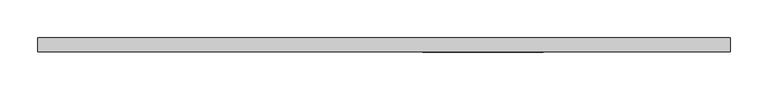
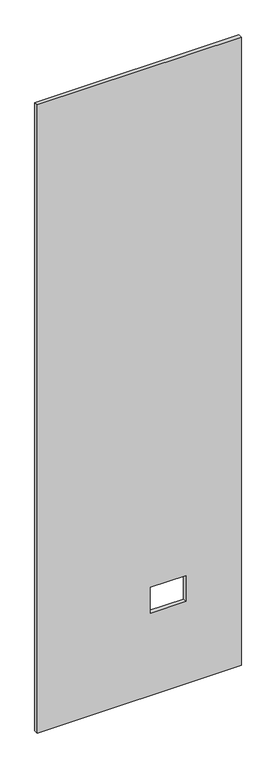
"""IFC4 building model written with IfcOpenShell, lengths in millimetres: proxy geometry."""

from ifc_helpers import new_model, si_unit, frame, origin, place, context, project, spatial, polyline, outline, extrude, source, transform, mapped, element, save


def specialty_equipment_b44bb418(model_context):
    return source(origin(), model_context, "Body", "SweptSolid", [
        extrude(outline(polyline([(2999.5368001, -460.6862302), (3.175, -460.6862302), (3.175, 460.6862302), (2999.5368001, 460.6862302), (2999.5368001, -460.6862302)]), holes=[polyline([(395.4526, 211.8868), (395.4526, 51.3588), (518.9474, 51.3588), (518.9474, 211.8868), (395.4526, 211.8868)])]), frame((0.0, -9.525, 0.0), z_axis=(0.0, 1.0, 0.0), x_axis=(0.0, 0.0, 1.0)), (0.0, 0.0, 1.0), 19.05),
    ])


if __name__ == "__main__":
    model = new_model("IFC4")
    model_context = context("Model", 3, world=origin())
    ifc_project = project(units=[si_unit("LENGTHUNIT", "METRE", prefix="MILLI")], contexts=[model_context])
    site = spatial("IfcSite", under=ifc_project)
    building = spatial("IfcBuilding", under=site)
    placement = place(None, origin())
    specialty_equipment_shape = specialty_equipment_b44bb418(model_context)
    element("IfcBuildingElementProxy", 1, Name="Specialty Equipment", at=placement, inside=building, context=model_context, shape_type="MappedRepresentation", body=[
        mapped(specialty_equipment_shape, transform((0.0, 0.0, 0.0), x_axis=(1.0, 0.0, 0.0), y_axis=(0.0, 1.0, 0.0), z_axis=(0.0, 0.0, 1.0))),
    ])
    save(model, "model.ifc")
